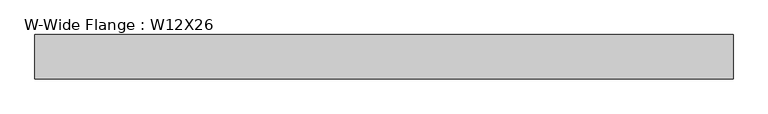
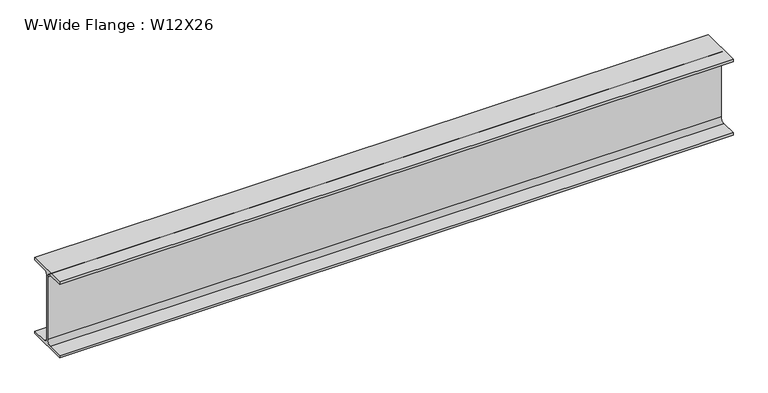
"""IFC4 building model written with IfcOpenShell, lengths in millimetres: beam geometry, W-Wide Flange : W12X26."""

from ifc_helpers import new_model, si_unit, point, frame, frame_2d, origin, place, context, project, spatial, polyline, circle_curve, trimmed, segment, composite_curve, outline, extrude, source, transform, mapped, element, save


def w_wide_flange_w12x26_d71b16e5(model_context):
    return source(origin(), model_context, "Body", "SweptSolid", [
        extrude(outline(composite_curve([segment(polyline([(82.4011719, -145.5539063), (82.4011719, -155.178125), (-82.4011719, -155.178125), (-82.4011719, -145.5539063), (-20.2902344, -145.5539063)]), True, "CONTINUOUS"), segment(trimmed(circle_curve(frame_2d((-20.2902344, -128.190625)), 17.3632812), [point((-20.2902344, -145.5539063))], [point((-2.9269531, -128.190625))], True, "CARTESIAN"), True, "CONTINUOUS"), segment(polyline([(-2.9269531, -128.190625), (-2.9269531, 128.190625)]), True, "CONTINUOUS"), segment(trimmed(circle_curve(frame_2d((-20.2902344, 128.190625)), 17.3632812), [point((-2.9269531, 128.190625))], [point((-20.2902344, 145.5539062))], True, "CARTESIAN"), True, "CONTINUOUS"), segment(polyline([(-20.2902344, 145.5539062), (-82.4011719, 145.5539062), (-82.4011719, 155.178125), (82.4011719, 155.178125), (82.4011719, 145.5539062), (20.2902344, 145.5539062)]), True, "CONTINUOUS"), segment(trimmed(circle_curve(frame_2d((20.2902344, 128.190625)), 17.3632812), [point((20.2902344, 145.5539062))], [point((2.9269531, 128.190625))], True, "CARTESIAN"), True, "CONTINUOUS"), segment(polyline([(2.9269531, 128.190625), (2.9269531, -128.190625)]), True, "CONTINUOUS"), segment(trimmed(circle_curve(frame_2d((20.2902344, -128.190625)), 17.3632812), [point((2.9269531, -128.190625))], [point((20.2902344, -145.5539063))], True, "CARTESIAN"), True, "CONTINUOUS"), segment(polyline([(20.2902344, -145.5539063), (82.4011719, -145.5539063)]), True, "CONTINUOUS")], self_intersect=False)), frame((-1295.1808984, 0.0, 0.0), z_axis=(1.0, 0.0, 0.0), x_axis=(0.0, 1.0, 0.0)), (0.0, 0.0, 1.0), 2603.7976562),
    ])


if __name__ == "__main__":
    model = new_model("IFC4")
    model_context = context("Model", 3, world=origin())
    ifc_project = project(units=[si_unit("LENGTHUNIT", "METRE", prefix="MILLI")], contexts=[model_context])
    site = spatial("IfcSite", under=ifc_project)
    building = spatial("IfcBuilding", under=site)
    placement = place(None, origin())
    w_wide_flange_w12x26_shape = w_wide_flange_w12x26_d71b16e5(model_context)
    element("IfcBeam", 1, ObjectType="W-Wide Flange : W12X26", at=placement, inside=building, context=model_context, shape_type="MappedRepresentation", body=[
        mapped(w_wide_flange_w12x26_shape, transform((0.0, 0.0, 0.0), x_axis=(1.0, 0.0, 0.0), y_axis=(0.0, 1.0, 0.0), z_axis=(0.0, 0.0, 1.0))),
    ])
    save(model, "model.ifc")
